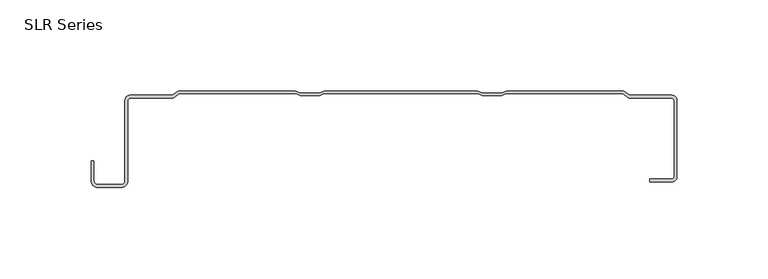
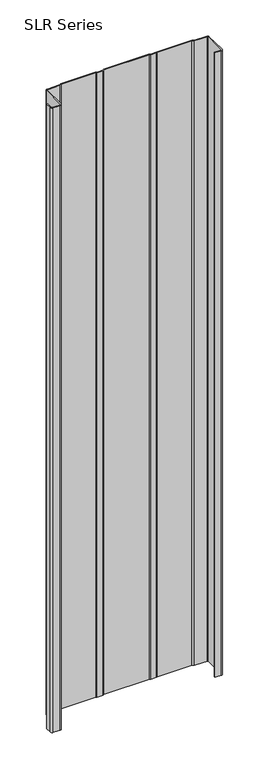
"""IFC4 building model written with IfcOpenShell, lengths in millimetres: plate geometry, SLR Series."""

from ifc_helpers import new_model, si_unit, point, frame_2d, origin, origin_with_axes, place, context, project, spatial, polyline, circle_curve, trimmed, segment, composite_curve, outline, extrude, source, transform, mapped, element, save


def slr_series_82b185a1(model_context):
    return source(origin(), model_context, "Body", "SweptSolid", [
        extrude(outline(composite_curve([segment(polyline([(-56.6291979, -1.6177749), (-120.9092093, -1.6177749), (-124.1304426, -4.0336999), (-147.9043372, -4.0336999)]), True, "CONTINUOUS"), segment(trimmed(circle_curve(frame_2d((-147.9043372, -5.1897647)), 1.1560648), [point((-147.9043372, -4.0336999))], [point((-149.060402, -5.1897647))], True, "CARTESIAN"), True, "CONTINUOUS"), segment(polyline([(-149.060402, -5.1897647), (-149.060402, -49.4817223)]), True, "CONTINUOUS"), segment(trimmed(circle_curve(frame_2d((-152.7361871, -49.4817223)), 3.6757851), [point((-149.060402, -49.4817223))], [point((-152.7361871, -53.1575073))], False, "CARTESIAN"), True, "CONTINUOUS"), segment(polyline([(-152.7361871, -53.1575073), (-165.6211202, -53.1575073)]), True, "CONTINUOUS"), segment(trimmed(circle_curve(frame_2d((-165.6211202, -49.4817223)), 3.6757851), [point((-165.6211202, -53.1575073))], [point((-169.2969053, -49.4817223))], False, "CARTESIAN"), True, "CONTINUOUS"), segment(polyline([(-169.2969053, -49.4817223), (-169.2969053, -38.6547993), (-167.6791304, -38.6547993), (-167.6791304, -49.4817223)]), True, "CONTINUOUS"), segment(trimmed(circle_curve(frame_2d((-165.6211202, -49.4817223)), 2.0580101), [point((-167.6791304, -49.4817223))], [point((-165.6211202, -51.5397324))], True, "CARTESIAN"), True, "CONTINUOUS"), segment(polyline([(-165.6211202, -51.5397324), (-152.7361871, -51.5397324)]), True, "CONTINUOUS"), segment(trimmed(circle_curve(frame_2d((-152.7361871, -49.4817223)), 2.0580101), [point((-152.7361871, -51.5397324))], [point((-150.678177, -49.4817223))], True, "CARTESIAN"), True, "CONTINUOUS"), segment(polyline([(-150.678177, -49.4817223), (-150.678177, -5.1897647)]), True, "CONTINUOUS"), segment(trimmed(circle_curve(frame_2d((-147.9043372, -5.1897647)), 2.7738398), [point((-150.678177, -5.1897647))], [point((-147.9043372, -2.415925))], False, "CARTESIAN"), True, "CONTINUOUS"), segment(polyline([(-147.9043372, -2.415925), (-124.6697009, -2.415925), (-121.4484676, 0.0), (-57.0631207, 0.0), (-54.2384717, -1.1298596), (-43.9178823, -1.1298596), (-41.0932332, 0.0), (42.9150562, 0.0), (45.7397053, -1.1298596), (56.0602947, -1.1298596), (58.8849438, 0.0), (123.2703602, 0.0), (126.4915935, -2.415925), (149.7262298, -2.415925)]), True, "CONTINUOUS"), segment(trimmed(circle_curve(frame_2d((149.7262298, -5.1896951)), 2.7737702), [point((149.7262298, -2.415925))], [point((152.5, -5.1896951))], False, "CARTESIAN"), True, "CONTINUOUS"), segment(polyline([(152.5, -5.1896951), (152.5, -47.2671954)]), True, "CONTINUOUS"), segment(trimmed(circle_curve(frame_2d((149.7262298, -47.2671954)), 2.7737702), [point((152.5, -47.2671954))], [point((149.7262298, -50.0409655))], False, "CARTESIAN"), True, "CONTINUOUS"), segment(polyline([(149.7262298, -50.0409655), (137.6469081, -50.0409655), (137.6469081, -48.4232312), (149.7262298, -48.4232312)]), True, "CONTINUOUS"), segment(trimmed(circle_curve(frame_2d((149.7262298, -47.2671954)), 1.1560358), [point((149.7262298, -48.4232312))], [point((150.8822657, -47.2671954))], True, "CARTESIAN"), True, "CONTINUOUS"), segment(polyline([(150.8822657, -47.2671954), (150.8822657, -5.1897357)]), True, "CONTINUOUS"), segment(trimmed(circle_curve(frame_2d((149.7262298, -5.1897357)), 1.1560358), [point((150.8822657, -5.1897357))], [point((149.7262298, -4.0336999))], True, "CARTESIAN"), True, "CONTINUOUS"), segment(polyline([(149.7262298, -4.0336999), (125.9523352, -4.0336999), (122.7311019, -1.6177749), (58.6257645, -1.6177749), (56.2545724, -2.5662518), (45.5454276, -2.5662518), (43.1742355, -1.6177749), (-41.5271561, -1.6177749), (-43.7236046, -2.4963543), (-54.4327494, -2.4963543), (-56.6291979, -1.6177749)]), True, "CONTINUOUS")], self_intersect=False)), origin_with_axes(), (0.0, 0.0, 1.0), 1228.3559792),
    ])


if __name__ == "__main__":
    model = new_model("IFC4")
    model_context = context("Model", 3, world=origin())
    ifc_project = project(units=[si_unit("LENGTHUNIT", "METRE", prefix="MILLI")], contexts=[model_context])
    site = spatial("IfcSite", under=ifc_project)
    building = spatial("IfcBuilding", under=site)
    placement = place(None, origin())
    slr_series_shape = slr_series_82b185a1(model_context)
    element("IfcPlate", 1, ObjectType="SLR Series", at=placement, inside=building, context=model_context, shape_type="MappedRepresentation", body=[
        mapped(slr_series_shape, transform((0.0, 0.0, 0.0), x_axis=(1.0, 0.0, 0.0), y_axis=(0.0, 1.0, 0.0), z_axis=(0.0, 0.0, 1.0))),
    ])
    save(model, "model.ifc")
